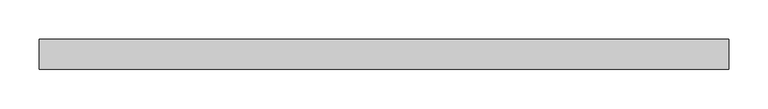
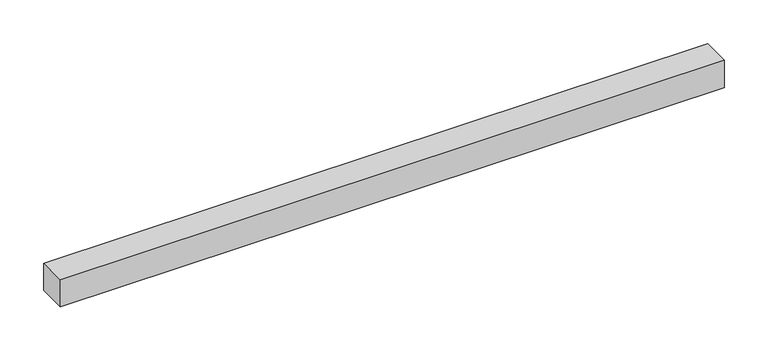
"""IFC4 building model written with IfcOpenShell, lengths in millimetres: beam geometry."""

from ifc_helpers import new_model, si_unit, frame, origin, place, context, project, spatial, polyline, outline, extrude, source, transform, mapped, element, save


def beam_1f973b85(model_context):
    return source(origin(), model_context, "Body", "SweptSolid", [
        extrude(outline(polyline([(-428.625, 19.05), (447.675, 19.05), (447.675, -19.05), (-428.625, -19.05), (-428.625, 19.05)])), frame((0.0, 0.0, -19.05), z_axis=(0.0, 0.0, 1.0), x_axis=(1.0, 0.0, 0.0)), (0.0, 0.0, 1.0), 38.1),
    ])


if __name__ == "__main__":
    model = new_model("IFC4")
    model_context = context("Model", 3, world=origin())
    ifc_project = project(units=[si_unit("LENGTHUNIT", "METRE", prefix="MILLI")], contexts=[model_context])
    site = spatial("IfcSite", under=ifc_project)
    building = spatial("IfcBuilding", under=site)
    placement = place(None, origin())
    beam_shape = beam_1f973b85(model_context)
    element("IfcBeam", 1, at=placement, inside=building, context=model_context, shape_type="MappedRepresentation", body=[
        mapped(beam_shape, transform((0.0, 0.0, 0.0), x_axis=(1.0, 0.0, 0.0), y_axis=(0.0, 1.0, 0.0), z_axis=(0.0, 0.0, 1.0))),
    ])
    save(model, "model.ifc")
